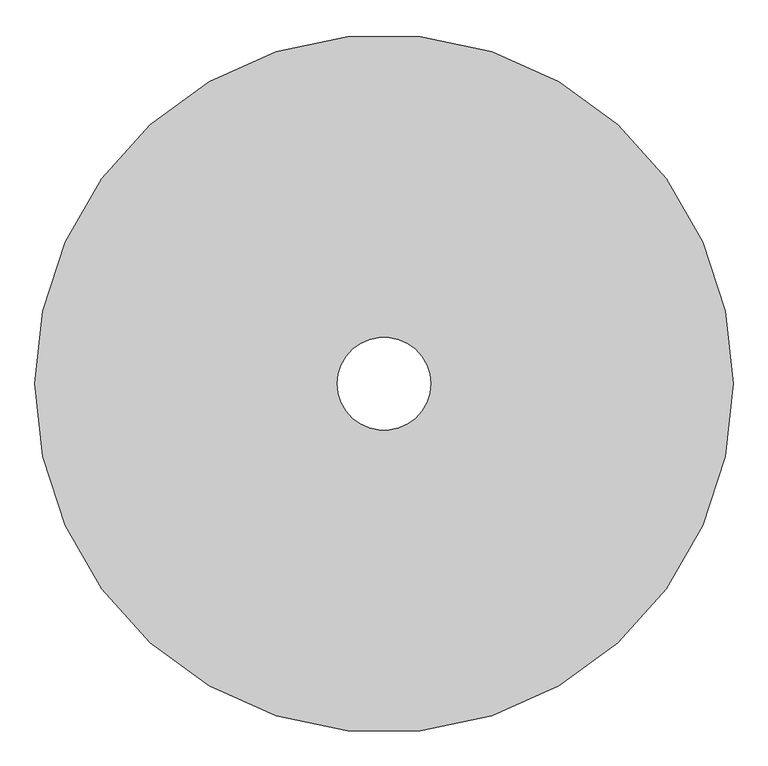
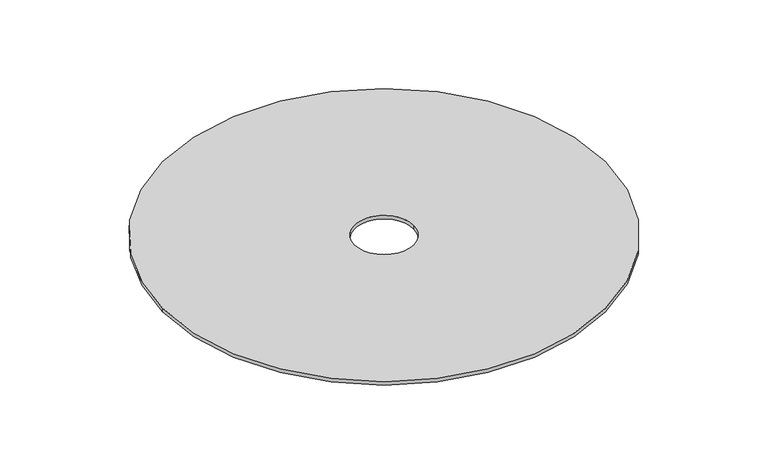
"""IFC4 building model written with IfcOpenShell, lengths in millimetres: proxy geometry."""

from ifc_helpers import new_model, si_unit, point, frame, frame_2d, origin, place, context, project, spatial, circle_curve, trimmed, segment, composite_curve, outline, extrude, source, transform, mapped, element, save


def generic_models_48c70b00(model_context):
    return source(origin(), model_context, "Body", "SweptSolid", [
        extrude(outline(composite_curve([segment(trimmed(circle_curve(frame_2d((77.0968319, 11.7826131)), 15000.0), [point((-14922.9031681, 11.7826131))], [point((15077.0968319, 11.7826131))], False, "CARTESIAN"), True, "CONTINUOUS"), segment(trimmed(circle_curve(frame_2d((77.0968319, 11.7826131)), 15000.0), [point((15077.0968319, 11.7826131))], [point((-14922.9031681, 11.7826131))], False, "CARTESIAN"), True, "CONTINUOUS")], self_intersect=False), holes=[composite_curve([segment(trimmed(circle_curve(frame_2d((77.0968319, 11.7826131)), 2000.0), [point((-1922.9031681, 11.7826131))], [point((2077.0968319, 11.7826131))], True, "CARTESIAN"), True, "CONTINUOUS"), segment(trimmed(circle_curve(frame_2d((77.0968319, 11.7826131)), 2000.0), [point((2077.0968319, 11.7826131))], [point((-1922.9031681, 11.7826131))], True, "CARTESIAN"), True, "CONTINUOUS")], self_intersect=False)]), frame((0.0, 0.0, 3000.0), z_axis=(0.0, 0.0, 1.0), x_axis=(1.0, 0.0, 0.0)), (0.0, 0.0, 1.0), 250.0),
    ])


if __name__ == "__main__":
    model = new_model("IFC4")
    model_context = context("Model", 3, world=origin())
    ifc_project = project(units=[si_unit("LENGTHUNIT", "METRE", prefix="MILLI")], contexts=[model_context])
    site = spatial("IfcSite", under=ifc_project)
    building = spatial("IfcBuilding", under=site)
    placement = place(None, origin())
    generic_models_shape = generic_models_48c70b00(model_context)
    element("IfcBuildingElementProxy", 1, Name="Generic Models", at=placement, inside=building, context=model_context, shape_type="MappedRepresentation", body=[
        mapped(generic_models_shape, transform((0.0, 0.0, 0.0), x_axis=(1.0, 0.0, 0.0), y_axis=(0.0, 1.0, 0.0), z_axis=(0.0, 0.0, 1.0))),
    ])
    save(model, "model.ifc")
